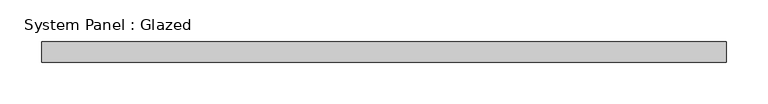
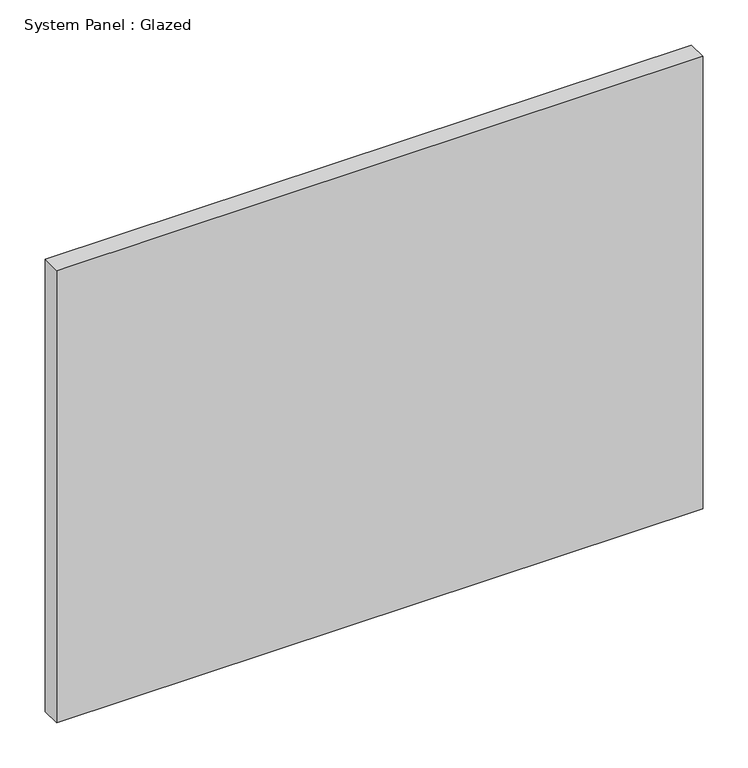
"""IFC4 building model written with IfcOpenShell, lengths in millimetres: plate geometry, System Panel : Glazed."""

from ifc_helpers import new_model, si_unit, origin, origin_with_axes, place, context, project, spatial, polyline, outline, extrude, source, transform, mapped, element, save


def system_panel_glazed_1a465147(model_context):
    return source(origin(), model_context, "Body", "SweptSolid", [
        extrude(outline(polyline([(412.5, 24.5), (-412.5, 24.5), (-412.5, 49.5), (412.5, 49.5), (412.5, 24.5)])), origin_with_axes(), (0.0, 0.0, 1.0), 610.0),
    ])


if __name__ == "__main__":
    model = new_model("IFC4")
    model_context = context("Model", 3, world=origin())
    ifc_project = project(units=[si_unit("LENGTHUNIT", "METRE", prefix="MILLI")], contexts=[model_context])
    site = spatial("IfcSite", under=ifc_project)
    building = spatial("IfcBuilding", under=site)
    placement = place(None, origin())
    system_panel_glazed_shape = system_panel_glazed_1a465147(model_context)
    element("IfcPlate", 1, ObjectType="System Panel : Glazed", at=placement, inside=building, context=model_context, shape_type="MappedRepresentation", body=[
        mapped(system_panel_glazed_shape, transform((0.0, 0.0, 0.0), x_axis=(1.0, 0.0, 0.0), y_axis=(0.0, 1.0, 0.0), z_axis=(0.0, 0.0, 1.0))),
    ])
    save(model, "model.ifc")
